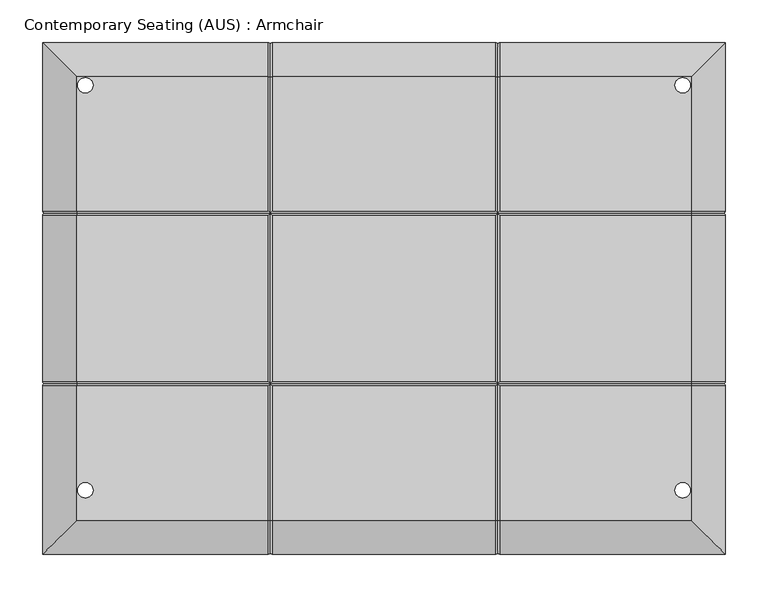
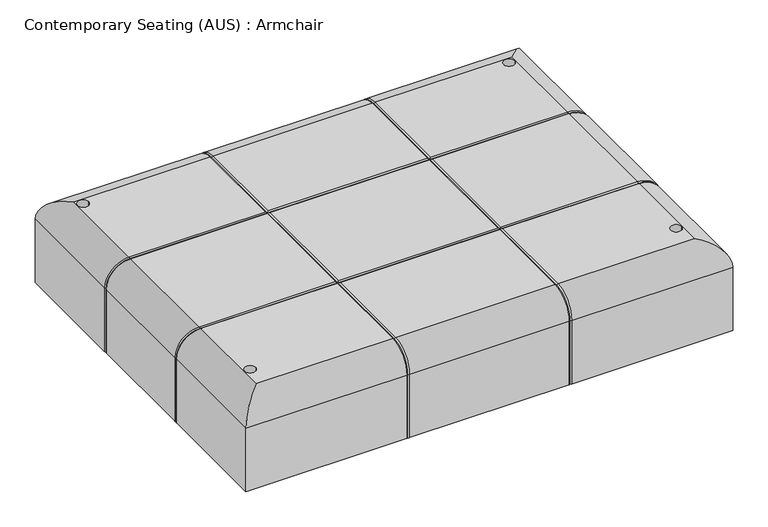
"""IFC4 building model written with IfcOpenShell, lengths in millimetres: furniture geometry, Contemporary Seating (AUS) : Armchair."""

from ifc_helpers import new_model, si_unit, point, frame, origin, place, context, project, spatial, polyline, circle_curve, ellipse_curve, trimmed, source, transform, mapped, element, save
from ifc_brep_helpers import plane_surface, cylinder_surface, revolved_surface, advanced_brep


def contemporary_seating_aus_armchair_13fb45e9(model_context):
    return source(origin(), model_context, "Body", "AdvancedBrep", [
        advanced_brep(
        [(-278.6188067, -600.0, 360.0), (-278.6188067, -600.0, 250.0), (-14.6315493, -600.0, 250.0), (-14.6315493, -600.0, 360.0), (521.3811933, -600.0, 250.0), (521.3811933, -600.0, 360.0), (257.3939359, -600.0, 360.0), (257.3939359, -600.0, 250.0), (-9.2727308, -600.0, 250.0), (252.0351174, -600.0, 250.0), (252.0351174, -600.0, 360.0), (-9.2727308, -600.0, 360.0), (521.3811933, 0.0, 360.0), (521.3811933, 0.0, 250.0), (257.3939359, 0.0, 250.0), (257.3939359, 0.0, 360.0), (-278.6188067, 0.0, 250.0), (-278.6188067, 0.0, 360.0), (-14.6315493, 0.0, 360.0), (-14.6315493, 0.0, 250.0), (252.0351174, 0.0, 250.0), (-9.2727308, 0.0, 250.0), (-9.2727308, 0.0, 360.0), (252.0351174, 0.0, 360.0), (-238.6188067, -402.679408, 400.0), (-238.6188067, -560.0, 400.0), (-14.6315493, -560.0, 400.0), (-14.6315493, -402.6794092, 400.0), (-237.6188067, -525.0, 400.0), (-219.6188067, -525.0, 400.0), (-238.6188067, -40.0, 400.0), (-238.6188067, -197.3205908, 400.0), (-14.6315493, -197.3205908, 400.0), (-14.6315493, -40.0, 400.0), (-219.6188067, -50.0, 400.0), (-237.6188067, -50.0, 400.0), (-238.6188067, -202.6794084, 400.0), (-238.6188067, -397.3205908, 400.0), (-14.6315493, -397.3205908, 400.0), (-14.6315493, -202.6794092, 400.0), (481.3811933, -560.0, 400.0), (481.3811933, -402.6794092, 400.0), (257.3939359, -402.6794092, 400.0), (257.3939359, -560.0, 400.0), (480.3811933, -525.0, 400.0), (462.3811933, -525.0, 400.0), (481.3811933, -197.3205908, 400.0), (481.3811933, -40.0, 400.0), (257.3939359, -40.0, 400.0), (257.3939359, -197.3205908, 400.0), (462.3811933, -50.0, 400.0), (480.3811933, -50.0, 400.0), (481.3811933, -397.3205908, 400.0), (481.3811933, -202.6794092, 400.0), (257.3939359, -202.6794092, 400.0), (257.3939359, -397.3205908, 400.0), (252.0351187, -40.0, 400.0), (-9.2727308, -40.0, 400.0), (-9.2727308, -197.3205908, 400.0), (252.0351174, -197.3205908, 400.0), (-9.2727308, -560.0, 400.0), (252.0351174, -560.0, 400.0), (252.0351174, -402.6794092, 400.0), (-9.2727308, -402.6794092, 400.0), (-9.2727308, -397.3205908, 400.0), (252.0351174, -397.3205908, 400.0), (252.0351174, -202.6794092, 400.0), (-9.2727308, -202.6794092, 400.0), (-278.6188067, -402.6794092, 360.0), (-278.6188067, -402.6794092, 250.0), (-278.6188067, -197.3205908, 250.0), (-278.6188067, -197.3205908, 360.0), (-278.6188067, -397.3205908, 360.0), (-278.6188067, -202.6794092, 360.0), (-278.6188067, -202.6794092, 250.0), (-278.6188067, -397.3205908, 250.0), (-275.9393975, -400.0, 250.0), (-275.9393975, -200.0, 250.0), (-11.95214, -2.6794092, 250.0), (254.7145266, -2.6794092, 250.0), (521.3811933, -197.3205908, 250.0), (518.7017841, -200.0, 250.0), (521.3811933, -202.6794092, 250.0), (521.3811933, -397.3205908, 250.0), (518.7017841, -400.0, 250.0), (521.3811933, -402.6794092, 250.0), (254.7145266, -597.3205908, 250.0), (-11.95214, -597.3205908, 250.0), (-237.6188067, -50.0, 250.0), (-219.6188067, -50.0, 250.0), (480.3811933, -50.0, 250.0), (462.3811933, -50.0, 250.0), (462.3811933, -525.0, 250.0), (480.3811933, -525.0, 250.0), (-219.6188067, -525.0, 250.0), (-237.6188067, -525.0, 250.0), (521.3811933, -402.6794092, 360.0), (521.3811933, -197.3205908, 360.0), (521.3811933, -202.6794092, 360.0), (521.3811933, -397.3205908, 360.0), (-275.9393975, -400.0, 360.0), (-275.9393975, -200.0, 360.0), (-238.6188067, -400.0, 397.3205908), (-238.6188067, -200.0, 397.3205908), (-11.95214, -400.0, 397.3205908), (254.7145266, -400.0, 397.3205908), (481.3811933, -400.0, 397.3205908), (-11.95214, -200.0, 397.3205908), (254.7145266, -200.0, 397.3205908), (481.3811933, -200.0, 397.3205908), (518.7017841, -400.0, 360.0), (518.7017841, -200.0, 360.0), (-11.95214, -2.6794092, 360.0), (254.7145266, -2.6794092, 360.0), (-11.95214, -40.0, 397.3205908), (254.7145266, -40.0, 397.3205908), (-11.95214, -560.0, 397.3205908), (254.7145266, -560.0, 397.3205908), (-11.95214, -597.3205908, 360.0), (254.7145266, -597.3205908, 360.0)],
        [
            (0, 1),
            (1, 2),
            (2, 3),
            (3, 0),
            (4, 5),
            (5, 6),
            (6, 7),
            (7, 4),
            (8, 9),
            (9, 10),
            (10, 11),
            (11, 8),
            (12, 13),
            (13, 14),
            (14, 15),
            (15, 12),
            (16, 17),
            (17, 18),
            (18, 19),
            (19, 16),
            (20, 21),
            (21, 22),
            (22, 23),
            (23, 20),
            (24, 25),
            (25, 26),
            (26, 27),
            (27, 24),
            (28, 29, circle_curve(frame((-228.6188067, -525.0, 400.0), z_axis=(0.0, 0.0, -1.0), x_axis=(1.0, 0.0, 0.0)), 9.0)),
            (29, 28, circle_curve(frame((-228.6188067, -525.0, 400.0), z_axis=(0.0, 0.0, -1.0), x_axis=(1.0, 0.0, 0.0)), 9.0)),
            (30, 31),
            (31, 32),
            (32, 33),
            (33, 30),
            (34, 35, circle_curve(frame((-228.6188067, -50.0, 400.0), z_axis=(0.0, 0.0, -1.0), x_axis=(1.0, 0.0, 0.0)), 9.0)),
            (35, 34, circle_curve(frame((-228.6188067, -50.0, 400.0), z_axis=(0.0, 0.0, -1.0), x_axis=(1.0, 0.0, 0.0)), 9.0)),
            (36, 37),
            (37, 38),
            (38, 39),
            (39, 36),
            (40, 41),
            (41, 42),
            (42, 43),
            (43, 40),
            (44, 45, circle_curve(frame((471.3811933, -525.0, 400.0), z_axis=(0.0, 0.0, -1.0), x_axis=(1.0, 0.0, 0.0)), 9.0)),
            (45, 44, circle_curve(frame((471.3811933, -525.0, 400.0), z_axis=(0.0, 0.0, -1.0), x_axis=(1.0, 0.0, 0.0)), 9.0)),
            (46, 47),
            (47, 48),
            (48, 49),
            (49, 46),
            (50, 51, circle_curve(frame((471.3811933, -50.0, 400.0), z_axis=(0.0, 0.0, -1.0), x_axis=(1.0, 0.0, 0.0)), 9.0)),
            (51, 50, circle_curve(frame((471.3811933, -50.0, 400.0), z_axis=(0.0, 0.0, -1.0), x_axis=(1.0, 0.0, 0.0)), 9.0)),
            (52, 53),
            (53, 54),
            (54, 55),
            (55, 52),
            (56, 57),
            (57, 58),
            (58, 59),
            (59, 56),
            (60, 61),
            (61, 62),
            (62, 63),
            (63, 60),
            (64, 65),
            (65, 66),
            (66, 67),
            (67, 64),
            (0, 68),
            (68, 69),
            (69, 1),
            (16, 70),
            (70, 71),
            (71, 17),
            (72, 73),
            (73, 74),
            (74, 75),
            (75, 72),
            (69, 76, circle_curve(frame((-275.9393975, -402.6794092, 250.0), z_axis=(0.0, 0.0, -1.0), x_axis=(1.0, 0.0, 0.0)), 2.6794092)),
            (76, 75, circle_curve(frame((-275.9393975, -397.3205908, 250.0), z_axis=(0.0, 0.0, -1.0), x_axis=(1.0, 0.0, 0.0)), 2.6794092)),
            (74, 77, circle_curve(frame((-275.9393975, -202.6794092, 250.0), z_axis=(0.0, 0.0, -1.0), x_axis=(1.0, 0.0, 0.0)), 2.6794092)),
            (77, 70, circle_curve(frame((-275.9393975, -197.3205908, 250.0), z_axis=(0.0, 0.0, -1.0), x_axis=(1.0, 0.0, 0.0)), 2.6794092)),
            (19, 78, circle_curve(frame((-14.6315493, -2.6794092, 250.0), z_axis=(0.0, 0.0, -1.0), x_axis=(1.0, 0.0, 0.0)), 2.6794092)),
            (78, 21, circle_curve(frame((-9.2727308, -2.6794092, 250.0), z_axis=(0.0, 0.0, -1.0), x_axis=(1.0, 0.0, 0.0)), 2.6794092)),
            (20, 79, circle_curve(frame((252.0351174, -2.6794092, 250.0), z_axis=(0.0, 0.0, -1.0), x_axis=(1.0, 0.0, 0.0)), 2.6794092)),
            (79, 14, circle_curve(frame((257.3939359, -2.6794092, 250.0), z_axis=(0.0, 0.0, -1.0), x_axis=(1.0, 0.0, 0.0)), 2.6794092)),
            (13, 80),
            (80, 81, circle_curve(frame((518.7017841, -197.3205908, 250.0), z_axis=(0.0, 0.0, -1.0), x_axis=(-1.0, 0.0, 0.0)), 2.6794092)),
            (81, 82, circle_curve(frame((518.7017841, -202.6794092, 250.0), z_axis=(0.0, 0.0, -1.0), x_axis=(-1.0, 0.0, 0.0)), 2.6794092)),
            (82, 83),
            (83, 84, circle_curve(frame((518.7017841, -397.3205908, 250.0), z_axis=(0.0, 0.0, -1.0), x_axis=(-1.0, 0.0, 0.0)), 2.6794092)),
            (84, 85, circle_curve(frame((518.7017841, -402.6794092, 250.0), z_axis=(0.0, 0.0, -1.0), x_axis=(-1.0, 0.0, 0.0)), 2.6794092)),
            (85, 4),
            (7, 86, circle_curve(frame((257.3939359, -597.3205908, 250.0), z_axis=(0.0, 0.0, -1.0), x_axis=(1.0, 0.0, 0.0)), 2.6794092)),
            (86, 9, circle_curve(frame((252.0351174, -597.3205908, 250.0), z_axis=(0.0, 0.0, -1.0), x_axis=(1.0, 0.0, 0.0)), 2.6794092)),
            (8, 87, circle_curve(frame((-9.2727308, -597.3205908, 250.0), z_axis=(0.0, 0.0, -1.0), x_axis=(1.0, 0.0, 0.0)), 2.6794092)),
            (87, 2, circle_curve(frame((-14.6315493, -597.3205908, 250.0), z_axis=(0.0, 0.0, -1.0), x_axis=(1.0, 0.0, 0.0)), 2.6794092)),
            (88, 89, circle_curve(frame((-228.6188067, -50.0, 250.0), z_axis=(0.0, 0.0, 1.0), x_axis=(1.0, 0.0, 0.0)), 9.0)),
            (89, 88, circle_curve(frame((-228.6188067, -50.0, 250.0), z_axis=(0.0, 0.0, 1.0), x_axis=(1.0, 0.0, 0.0)), 9.0)),
            (90, 91, circle_curve(frame((471.3811933, -50.0, 250.0), z_axis=(0.0, 0.0, 1.0), x_axis=(1.0, 0.0, 0.0)), 9.0)),
            (91, 90, circle_curve(frame((471.3811933, -50.0, 250.0), z_axis=(0.0, 0.0, 1.0), x_axis=(1.0, 0.0, 0.0)), 9.0)),
            (92, 93, circle_curve(frame((471.3811933, -525.0, 250.0), z_axis=(0.0, 0.0, 1.0), x_axis=(1.0, 0.0, 0.0)), 9.0)),
            (93, 92, circle_curve(frame((471.3811933, -525.0, 250.0), z_axis=(0.0, 0.0, 1.0), x_axis=(1.0, 0.0, 0.0)), 9.0)),
            (94, 95, circle_curve(frame((-228.6188067, -525.0, 250.0), z_axis=(0.0, 0.0, 1.0), x_axis=(1.0, 0.0, 0.0)), 9.0)),
            (95, 94, circle_curve(frame((-228.6188067, -525.0, 250.0), z_axis=(0.0, 0.0, 1.0), x_axis=(1.0, 0.0, 0.0)), 9.0)),
            (85, 96),
            (96, 5),
            (12, 97),
            (97, 80),
            (82, 98),
            (98, 99),
            (99, 83),
            (36, 73, circle_curve(frame((-238.6188067, -202.6794092, 360.0), z_axis=(0.0, -1.0, 0.0), x_axis=(-1.0, 0.0, 0.0)), 40.0)),
            (72, 37, circle_curve(frame((-238.6188067, -397.3205908, 360.0), z_axis=(0.0, 1.0, 0.0), x_axis=(-1.0, 0.0, 0.0)), 40.0)),
            (30, 17, ellipse_curve(frame((-238.6188067, -40.0, 360.0), z_axis=(-0.7071067811865475, -0.7071067811865475, 0.0), x_axis=(-0.7071067811865474, 0.7071067811865476, 0.0)), 56.5685425, 40.0)),
            (71, 31, circle_curve(frame((-238.6188067, -197.3205908, 360.0), z_axis=(0.0, 1.0, 0.0), x_axis=(-1.0, 0.0, 0.0)), 40.0)),
            (0, 25, ellipse_curve(frame((-238.6188067, -560.0, 360.0), z_axis=(-0.7071067811865475, 0.7071067811865475, 0.0), x_axis=(0.7071067811865474, 0.7071067811865476, 0.0)), 56.5685425, 40.0)),
            (24, 68, circle_curve(frame((-238.6188067, -402.6794092, 360.0), z_axis=(0.0, -1.0, 0.0), x_axis=(-1.0, 0.0, 0.0)), 40.0)),
            (22, 57, circle_curve(frame((-9.2727308, -40.0, 360.0), z_axis=(1.0, 0.0, 0.0), x_axis=(0.0, 1.0, 0.0)), 40.0)),
            (56, 23, circle_curve(frame((252.0351174, -40.0, 360.0), z_axis=(-1.0, 0.0, 0.0), x_axis=(0.0, 1.0, 0.0)), 40.0)),
            (33, 18, circle_curve(frame((-14.6315493, -40.0, 360.0), z_axis=(-1.0, 0.0, 0.0), x_axis=(0.0, 1.0, 0.0)), 40.0)),
            (47, 12, ellipse_curve(frame((481.3811933, -40.0, 360.0), z_axis=(-0.7071067811865475, 0.7071067811865475, 0.0), x_axis=(0.7071067811865476, 0.7071067811865474, 0.0)), 56.5685425, 40.0)),
            (15, 48, circle_curve(frame((257.3939359, -40.0, 360.0), z_axis=(1.0, 0.0, 0.0), x_axis=(0.0, 1.0, 0.0)), 40.0)),
            (52, 99, circle_curve(frame((481.3811933, -397.3205908, 360.0), z_axis=(0.0, 1.0, 0.0), x_axis=(1.0, 0.0, 0.0)), 40.0)),
            (98, 53, circle_curve(frame((481.3811933, -202.6794092, 360.0), z_axis=(0.0, -1.0, 0.0), x_axis=(1.0, 0.0, 0.0)), 40.0)),
            (46, 97, circle_curve(frame((481.3811933, -197.3205908, 360.0), z_axis=(0.0, 1.0, 0.0), x_axis=(1.0, 0.0, 0.0)), 40.0)),
            (40, 5, ellipse_curve(frame((481.3811933, -560.0, 360.0), z_axis=(0.7071067811865475, 0.7071067811865475, 0.0), x_axis=(0.7071067811865474, -0.7071067811865476, 0.0)), 56.5685425, 40.0)),
            (96, 41, circle_curve(frame((481.3811933, -402.6794092, 360.0), z_axis=(0.0, -1.0, 0.0), x_axis=(1.0, 0.0, 0.0)), 40.0)),
            (10, 61, circle_curve(frame((252.0351174, -560.0, 360.0), z_axis=(-1.0, 0.0, 0.0), x_axis=(0.0, -1.0, 0.0)), 40.0)),
            (60, 11, circle_curve(frame((-9.2727308, -560.0, 360.0), z_axis=(1.0, 0.0, 0.0), x_axis=(0.0, -1.0, 0.0)), 40.0)),
            (3, 26, circle_curve(frame((-14.6315493, -560.0, 360.0), z_axis=(-1.0, 0.0, 0.0), x_axis=(0.0, -1.0, 0.0)), 40.0)),
            (43, 6, circle_curve(frame((257.3939359, -560.0, 360.0), z_axis=(1.0, 0.0, 0.0), x_axis=(0.0, -1.0, 0.0)), 40.0)),
            (34, 89),
            (88, 35),
            (50, 91),
            (90, 51),
            (44, 93),
            (92, 45),
            (28, 95),
            (94, 29),
            (76, 100),
            (100, 72, circle_curve(frame((-275.9393975, -397.3205908, 360.0), z_axis=(0.0, 0.0, -1.0), x_axis=(1.0, 0.0, 0.0)), 2.6794092)),
            (68, 100, circle_curve(frame((-275.9393975, -402.6794092, 360.0), z_axis=(0.0, 0.0, -1.0), x_axis=(1.0, 0.0, 0.0)), 2.6794092)),
            (77, 101),
            (101, 71, circle_curve(frame((-275.9393975, -197.3205908, 360.0), z_axis=(0.0, 0.0, -1.0), x_axis=(1.0, 0.0, 0.0)), 2.6794092)),
            (73, 101, circle_curve(frame((-275.9393975, -202.6794092, 360.0), z_axis=(0.0, 0.0, -1.0), x_axis=(1.0, 0.0, 0.0)), 2.6794092)),
            (100, 102, circle_curve(frame((-238.6188067, -400.0, 360.0), z_axis=(0.0, 1.0, 0.0), x_axis=(-1.0, 0.0, 0.0)), 37.3205908)),
            (102, 37, circle_curve(frame((-238.6188067, -397.3205908, 397.3205908), z_axis=(-1.0, 0.0, 0.0), x_axis=(0.0, 0.0, -1.0)), 2.6794092)),
            (24, 102, circle_curve(frame((-238.6188067, -402.6794092, 397.3205908), z_axis=(-1.0, 0.0, 0.0), x_axis=(0.0, 0.0, -1.0)), 2.6794092)),
            (101, 103, circle_curve(frame((-238.6188067, -200.0, 360.0), z_axis=(0.0, 1.0, 0.0), x_axis=(-1.0, 0.0, 0.0)), 37.3205908)),
            (103, 31, circle_curve(frame((-238.6188067, -197.3205908, 397.3205908), z_axis=(-1.0, 0.0, 0.0), x_axis=(0.0, 0.0, -1.0)), 2.6794092)),
            (36, 103, circle_curve(frame((-238.6188067, -202.6794092, 397.3205908), z_axis=(-1.0, 0.0, 0.0), x_axis=(0.0, 0.0, -1.0)), 2.6794092)),
            (64, 104, ellipse_curve(frame((-9.2727308, -397.3205908, 397.3205908), z_axis=(0.7071067811865464, -0.7071067811865487, 0.0), x_axis=(0.7071067811865487, 0.7071067811865464, 0.0)), 3.7892569, 2.6794092)),
            (104, 105),
            (105, 65, ellipse_curve(frame((252.0351174, -397.3205908, 397.3205908), z_axis=(-0.7071067811865487, -0.7071067811865464, 0.0), x_axis=(0.7071067811865464, -0.7071067811865487, 0.0)), 3.7892569, 2.6794092)),
            (102, 104),
            (104, 38, ellipse_curve(frame((-14.6315493, -397.3205908, 397.3205908), z_axis=(-0.7071067811865487, -0.7071067811865464, 0.0), x_axis=(0.7071067811865464, -0.7071067811865487, 0.0)), 3.7892569, 2.6794092)),
            (106, 52, circle_curve(frame((481.3811933, -397.3205908, 397.3205908), z_axis=(-1.0, 0.0, 0.0), x_axis=(0.0, 0.0, -1.0)), 2.6794092)),
            (55, 105, ellipse_curve(frame((257.3939359, -397.3205908, 397.3205908), z_axis=(0.7071067811865464, -0.7071067811865487, 0.0), x_axis=(0.7071067811865487, 0.7071067811865464, 0.0)), 3.7892569, 2.6794092)),
            (105, 106),
            (62, 105, ellipse_curve(frame((252.0351174, -402.6794092, 397.3205908), z_axis=(-0.7071067811865464, 0.7071067811865487, 0.0), x_axis=(0.7071067811865487, 0.7071067811865464, 0.0)), 3.7892569, 2.6794092)),
            (104, 63, ellipse_curve(frame((-9.2727308, -402.6794092, 397.3205908), z_axis=(0.7071067811865487, 0.7071067811865464, 0.0), x_axis=(0.7071067811865464, -0.7071067811865487, 0.0)), 3.7892569, 2.6794092)),
            (27, 104, ellipse_curve(frame((-14.6315493, -402.6794092, 397.3205908), z_axis=(-0.7071067811865464, 0.7071067811865487, 0.0), x_axis=(0.7071067811865487, 0.7071067811865464, 0.0)), 3.7892569, 2.6794092)),
            (41, 106, circle_curve(frame((481.3811933, -402.6794092, 397.3205908), z_axis=(-1.0, 0.0, 0.0), x_axis=(0.0, 0.0, -1.0)), 2.6794092)),
            (105, 42, ellipse_curve(frame((257.3939359, -402.6794092, 397.3205908), z_axis=(0.7071067811865487, 0.7071067811865464, 0.0), x_axis=(0.7071067811865464, -0.7071067811865487, 0.0)), 3.7892569, 2.6794092)),
            (58, 107, ellipse_curve(frame((-9.2727308, -197.3205908, 397.3205908), z_axis=(0.7071067811865464, -0.7071067811865487, 0.0), x_axis=(0.7071067811865487, 0.7071067811865464, 0.0)), 3.7892569, 2.6794092)),
            (107, 108),
            (108, 59, ellipse_curve(frame((252.0351174, -197.3205908, 397.3205908), z_axis=(-0.7071067811865487, -0.7071067811865464, 0.0), x_axis=(0.7071067811865464, -0.7071067811865487, 0.0)), 3.7892569, 2.6794092)),
            (103, 107),
            (107, 32, ellipse_curve(frame((-14.6315493, -197.3205908, 397.3205908), z_axis=(-0.7071067811865487, -0.7071067811865464, 0.0), x_axis=(0.7071067811865464, -0.7071067811865487, 0.0)), 3.7892569, 2.6794092)),
            (109, 46, circle_curve(frame((481.3811933, -197.3205908, 397.3205908), z_axis=(-1.0, 0.0, 0.0), x_axis=(0.0, 0.0, -1.0)), 2.6794092)),
            (49, 108, ellipse_curve(frame((257.3939359, -197.3205908, 397.3205908), z_axis=(0.7071067811865464, -0.7071067811865487, 0.0), x_axis=(0.7071067811865487, 0.7071067811865464, 0.0)), 3.7892569, 2.6794092)),
            (108, 109),
            (66, 108, ellipse_curve(frame((252.0351174, -202.6794092, 397.3205908), z_axis=(-0.7071067811865464, 0.7071067811865487, 0.0), x_axis=(0.7071067811865487, 0.7071067811865464, 0.0)), 3.7892569, 2.6794092)),
            (107, 67, ellipse_curve(frame((-9.2727308, -202.6794092, 397.3205908), z_axis=(0.7071067811865487, 0.7071067811865464, 0.0), x_axis=(0.7071067811865464, -0.7071067811865487, 0.0)), 3.7892569, 2.6794092)),
            (39, 107, ellipse_curve(frame((-14.6315493, -202.6794092, 397.3205908), z_axis=(-0.7071067811865464, 0.7071067811865487, 0.0), x_axis=(0.7071067811865487, 0.7071067811865464, 0.0)), 3.7892569, 2.6794092)),
            (53, 109, circle_curve(frame((481.3811933, -202.6794092, 397.3205908), z_axis=(-1.0, 0.0, 0.0), x_axis=(0.0, 0.0, -1.0)), 2.6794092)),
            (108, 54, ellipse_curve(frame((257.3939359, -202.6794092, 397.3205908), z_axis=(0.7071067811865487, 0.7071067811865464, 0.0), x_axis=(0.7071067811865464, -0.7071067811865487, 0.0)), 3.7892569, 2.6794092)),
            (106, 110, circle_curve(frame((481.3811933, -400.0, 360.0), z_axis=(0.0, 1.0, 0.0), x_axis=(0.0, 0.0, 1.0)), 37.3205908)),
            (110, 99, circle_curve(frame((518.7017841, -397.3205908, 360.0), z_axis=(0.0, 0.0, 1.0), x_axis=(-1.0, 0.0, 0.0)), 2.6794092)),
            (96, 110, circle_curve(frame((518.7017841, -402.6794092, 360.0), z_axis=(0.0, 0.0, 1.0), x_axis=(-1.0, 0.0, 0.0)), 2.6794092)),
            (109, 111, circle_curve(frame((481.3811933, -200.0, 360.0), z_axis=(0.0, 1.0, 0.0), x_axis=(0.0, 0.0, 1.0)), 37.3205908)),
            (111, 97, circle_curve(frame((518.7017841, -197.3205908, 360.0), z_axis=(0.0, 0.0, 1.0), x_axis=(-1.0, 0.0, 0.0)), 2.6794092)),
            (98, 111, circle_curve(frame((518.7017841, -202.6794092, 360.0), z_axis=(0.0, 0.0, 1.0), x_axis=(-1.0, 0.0, 0.0)), 2.6794092)),
            (110, 84),
            (111, 81),
            (78, 112),
            (112, 22, circle_curve(frame((-9.2727308, -2.6794092, 360.0), z_axis=(0.0, 0.0, -1.0), x_axis=(1.0, 0.0, 0.0)), 2.6794092)),
            (18, 112, circle_curve(frame((-14.6315493, -2.6794092, 360.0), z_axis=(0.0, 0.0, -1.0), x_axis=(1.0, 0.0, 0.0)), 2.6794092)),
            (79, 113),
            (113, 15, circle_curve(frame((257.3939359, -2.6794092, 360.0), z_axis=(0.0, 0.0, -1.0), x_axis=(1.0, 0.0, 0.0)), 2.6794092)),
            (23, 113, circle_curve(frame((252.0351174, -2.6794092, 360.0), z_axis=(0.0, 0.0, -1.0), x_axis=(1.0, 0.0, 0.0)), 2.6794092)),
            (112, 114, circle_curve(frame((-11.95214, -40.0, 360.0), z_axis=(1.0, 0.0, 0.0), x_axis=(0.0, 1.0, 0.0)), 37.3205908)),
            (114, 57, circle_curve(frame((-9.2727308, -40.0, 397.3205908), z_axis=(0.0, 1.0, 0.0), x_axis=(1.0, 0.0, 0.0)), 2.6794092)),
            (33, 114, circle_curve(frame((-14.6315493, -40.0, 397.3205908), z_axis=(0.0, 1.0, 0.0), x_axis=(1.0, 0.0, 0.0)), 2.6794092)),
            (113, 115, circle_curve(frame((254.7145266, -40.0, 360.0), z_axis=(1.0, 0.0, 0.0), x_axis=(0.0, 1.0, 0.0)), 37.3205908)),
            (115, 48, circle_curve(frame((257.3939359, -40.0, 397.3205908), z_axis=(0.0, 1.0, 0.0), x_axis=(1.0, 0.0, 0.0)), 2.6794092)),
            (56, 115, circle_curve(frame((252.0351174, -40.0, 397.3205908), z_axis=(0.0, 1.0, 0.0), x_axis=(1.0, 0.0, 0.0)), 2.6794092)),
            (114, 107),
            (116, 60, circle_curve(frame((-9.2727308, -560.0, 397.3205908), z_axis=(0.0, 1.0, 0.0), x_axis=(1.0, 0.0, 0.0)), 2.6794092)),
            (104, 116),
            (107, 104),
            (26, 116, circle_curve(frame((-14.6315493, -560.0, 397.3205908), z_axis=(0.0, 1.0, 0.0), x_axis=(1.0, 0.0, 0.0)), 2.6794092)),
            (115, 108),
            (117, 43, circle_curve(frame((257.3939359, -560.0, 397.3205908), z_axis=(0.0, 1.0, 0.0), x_axis=(1.0, 0.0, 0.0)), 2.6794092)),
            (105, 117),
            (108, 105),
            (61, 117, circle_curve(frame((252.0351174, -560.0, 397.3205908), z_axis=(0.0, 1.0, 0.0), x_axis=(1.0, 0.0, 0.0)), 2.6794092)),
            (116, 118, circle_curve(frame((-11.95214, -560.0, 360.0), z_axis=(1.0, 0.0, 0.0), x_axis=(0.0, 0.0, 1.0)), 37.3205908)),
            (118, 11, circle_curve(frame((-9.2727308, -597.3205908, 360.0), z_axis=(0.0, 0.0, 1.0), x_axis=(1.0, 0.0, 0.0)), 2.6794092)),
            (3, 118, circle_curve(frame((-14.6315493, -597.3205908, 360.0), z_axis=(0.0, 0.0, 1.0), x_axis=(1.0, 0.0, 0.0)), 2.6794092)),
            (117, 119, circle_curve(frame((254.7145266, -560.0, 360.0), z_axis=(1.0, 0.0, 0.0), x_axis=(0.0, 0.0, 1.0)), 37.3205908)),
            (119, 6, circle_curve(frame((257.3939359, -597.3205908, 360.0), z_axis=(0.0, 0.0, 1.0), x_axis=(1.0, 0.0, 0.0)), 2.6794092)),
            (10, 119, circle_curve(frame((252.0351174, -597.3205908, 360.0), z_axis=(0.0, 0.0, 1.0), x_axis=(1.0, 0.0, 0.0)), 2.6794092)),
            (118, 87),
            (119, 86),
        ],
        [
            plane_surface(frame((-278.6188067, -600.0, 400.0), z_axis=(0.0, -1.0, 0.0), x_axis=(-1.0, 0.0, 0.0))),
            plane_surface(frame((-278.6188067, 0.0, 400.0), z_axis=(0.0, 1.0, 0.0), x_axis=(1.0, 0.0, 0.0))),
            plane_surface(frame((521.3811933, -600.0, 400.0), z_axis=(0.0, 0.0, 1.0), x_axis=(0.0, 1.0, 0.0))),
            plane_surface(frame((-278.6188067, -600.0, 400.0), z_axis=(-1.0, 0.0, 0.0), x_axis=(0.0, 1.0, 0.0))),
            plane_surface(frame((-278.6188067, -600.0, 250.0), z_axis=(0.0, 0.0, -1.0), x_axis=(0.0, 1.0, 0.0))),
            plane_surface(frame((521.3811933, -600.0, 250.0), z_axis=(1.0, 0.0, 0.0), x_axis=(0.0, 1.0, 0.0))),
            cylinder_surface(frame((-238.6188067, -600.0, 360.0), z_axis=(0.0, 1.0, 0.0), x_axis=(-1.0, 0.0, 0.0)), 40.0),
            cylinder_surface(frame((-278.6188067, -40.0, 360.0), z_axis=(1.0, 0.0, 0.0), x_axis=(0.0, 1.0, 0.0)), 40.0),
            cylinder_surface(frame((481.3811933, 0.0, 360.0), z_axis=(0.0, -1.0, 0.0), x_axis=(1.0, 0.0, 0.0)), 40.0),
            cylinder_surface(frame((521.3811933, -560.0, 360.0), z_axis=(-1.0, 0.0, 0.0), x_axis=(0.0, -1.0, 0.0)), 40.0),
            revolved_surface(polyline([(-219.6188067, -50.0, 400.0), (-219.6188067, -50.0, 250.0)]), (-228.6188067, -50.0, 250.0), (0.0, 0.0, 1.0)),
            revolved_surface(polyline([(480.3811933, -50.0, 400.0), (480.3811933, -50.0, 250.0)]), (471.3811933, -50.0, 0.0), (0.0, 0.0, 1.0)),
            revolved_surface(polyline([(480.3811933, -525.0, 400.0), (480.3811933, -525.0, 250.0)]), (471.3811933, -525.0, 0.0), (0.0, 0.0, 1.0)),
            revolved_surface(polyline([(-219.6188067, -525.0, 400.0), (-219.6188067, -525.0, 250.0)]), (-228.6188067, -525.0, 0.0), (0.0, 0.0, 1.0)),
            cylinder_surface(frame((-275.9393975, -397.3205908, 250.0), z_axis=(0.0, 0.0, 1.0), x_axis=(1.0, 0.0, 0.0)), 2.6794092),
            cylinder_surface(frame((-275.9393975, -402.6794092, 250.0), z_axis=(0.0, 0.0, 1.0), x_axis=(1.0, 0.0, 0.0)), 2.6794092),
            cylinder_surface(frame((-275.9393975, -197.3205908, 250.0), z_axis=(0.0, 0.0, 1.0), x_axis=(1.0, 0.0, 0.0)), 2.6794092),
            cylinder_surface(frame((-275.9393975, -202.6794092, 250.0), z_axis=(0.0, 0.0, 1.0), x_axis=(1.0, 0.0, 0.0)), 2.6794092),
            revolved_surface(trimmed(ellipse_curve(frame((-275.9393975, -397.3205908, 360.0), z_axis=(0.0, 0.0, -1.0), x_axis=(1.0, 0.0, 0.0)), 2.6794092, 2.6794092), [point((-275.9393975, -400.0, 360.0))], [point((-278.6188067, -397.3205908, 360.0))], True, "CARTESIAN"), (-238.6188067, -525.0, 360.0), (0.0, 1.0, 0.0)),
            revolved_surface(trimmed(ellipse_curve(frame((-275.9393975, -402.6794092, 360.0), z_axis=(0.0, 0.0, -1.0), x_axis=(1.0, 0.0, 0.0)), 2.6794092, 2.6794092), [point((-278.6188067, -402.6794092, 360.0))], [point((-275.9393975, -400.0, 360.0))], True, "CARTESIAN"), (-238.6188067, -525.0, 360.0), (0.0, 1.0, 0.0)),
            revolved_surface(trimmed(ellipse_curve(frame((-275.9393975, -197.3205908, 360.0), z_axis=(0.0, 0.0, -1.0), x_axis=(1.0, 0.0, 0.0)), 2.6794092, 2.6794092), [point((-275.9393975, -200.0, 360.0))], [point((-278.6188067, -197.3205908, 360.0))], True, "CARTESIAN"), (-238.6188067, -525.0, 360.0), (0.0, 1.0, 0.0)),
            revolved_surface(trimmed(ellipse_curve(frame((-275.9393975, -202.6794092, 360.0), z_axis=(0.0, 0.0, -1.0), x_axis=(1.0, 0.0, 0.0)), 2.6794092, 2.6794092), [point((-278.6188067, -202.6794092, 360.0))], [point((-275.9393975, -200.0, 360.0))], True, "CARTESIAN"), (-238.6188067, -525.0, 360.0), (0.0, 1.0, 0.0)),
            cylinder_surface(frame((-238.6188067, -397.3205908, 397.3205908), z_axis=(1.0, 0.0, 0.0), x_axis=(0.0, 0.0, -1.0)), 2.6794092),
            cylinder_surface(frame((-238.6188067, -402.6794092, 397.3205908), z_axis=(1.0, 0.0, 0.0), x_axis=(0.0, 0.0, -1.0)), 2.6794092),
            cylinder_surface(frame((-238.6188067, -197.3205908, 397.3205908), z_axis=(1.0, 0.0, 0.0), x_axis=(0.0, 0.0, -1.0)), 2.6794092),
            cylinder_surface(frame((-238.6188067, -202.6794092, 397.3205908), z_axis=(1.0, 0.0, 0.0), x_axis=(0.0, 0.0, -1.0)), 2.6794092),
            revolved_surface(trimmed(ellipse_curve(frame((481.3811933, -397.3205908, 397.3205908), z_axis=(-1.0, 0.0, 0.0), x_axis=(0.0, 0.0, -1.0)), 2.6794092, 2.6794092), [point((481.3811933, -400.0, 397.3205908))], [point((481.3811933, -397.3205908, 400.0))], True, "CARTESIAN"), (481.3811933, -525.0, 360.0), (0.0, 1.0, 0.0)),
            revolved_surface(trimmed(ellipse_curve(frame((481.3811933, -402.6794092, 397.3205908), z_axis=(-1.0, 0.0, 0.0), x_axis=(0.0, 0.0, -1.0)), 2.6794092, 2.6794092), [point((481.3811933, -402.6794092, 400.0))], [point((481.3811933, -400.0, 397.3205908))], True, "CARTESIAN"), (481.3811933, -525.0, 360.0), (0.0, 1.0, 0.0)),
            revolved_surface(trimmed(ellipse_curve(frame((481.3811933, -197.3205908, 397.3205908), z_axis=(-1.0, 0.0, 0.0), x_axis=(0.0, 0.0, -1.0)), 2.6794092, 2.6794092), [point((481.3811933, -200.0, 397.3205908))], [point((481.3811933, -197.3205908, 400.0))], True, "CARTESIAN"), (481.3811933, -525.0, 360.0), (0.0, 1.0, 0.0)),
            revolved_surface(trimmed(ellipse_curve(frame((481.3811933, -202.6794092, 397.3205908), z_axis=(-1.0, 0.0, 0.0), x_axis=(0.0, 0.0, -1.0)), 2.6794092, 2.6794092), [point((481.3811933, -202.6794092, 400.0))], [point((481.3811933, -200.0, 397.3205908))], True, "CARTESIAN"), (481.3811933, -525.0, 360.0), (0.0, 1.0, 0.0)),
            cylinder_surface(frame((518.7017841, -397.3205908, 360.0), z_axis=(0.0, 0.0, -1.0), x_axis=(-1.0, 0.0, 0.0)), 2.6794092),
            cylinder_surface(frame((518.7017841, -402.6794092, 360.0), z_axis=(0.0, 0.0, -1.0), x_axis=(-1.0, 0.0, 0.0)), 2.6794092),
            cylinder_surface(frame((518.7017841, -197.3205908, 360.0), z_axis=(0.0, 0.0, -1.0), x_axis=(-1.0, 0.0, 0.0)), 2.6794092),
            cylinder_surface(frame((518.7017841, -202.6794092, 360.0), z_axis=(0.0, 0.0, -1.0), x_axis=(-1.0, 0.0, 0.0)), 2.6794092),
            cylinder_surface(frame((-9.2727308, -2.6794092, 250.0), z_axis=(0.0, 0.0, 1.0), x_axis=(1.0, 0.0, 0.0)), 2.6794092),
            cylinder_surface(frame((-14.6315493, -2.6794092, 250.0), z_axis=(0.0, 0.0, 1.0), x_axis=(1.0, 0.0, 0.0)), 2.6794092),
            cylinder_surface(frame((257.3939359, -2.6794092, 250.0), z_axis=(0.0, 0.0, 1.0), x_axis=(1.0, 0.0, 0.0)), 2.6794092),
            cylinder_surface(frame((252.0351174, -2.6794092, 250.0), z_axis=(0.0, 0.0, 1.0), x_axis=(1.0, 0.0, 0.0)), 2.6794092),
            revolved_surface(trimmed(ellipse_curve(frame((-9.2727308, -2.6794092, 360.0), z_axis=(0.0, 0.0, -1.0), x_axis=(1.0, 0.0, 0.0)), 2.6794092, 2.6794092), [point((-11.95214, -2.6794092, 360.0))], [point((-9.2727308, 0.0, 360.0))], True, "CARTESIAN"), (121.3811933, -40.0, 360.0), (1.0, 0.0, 0.0)),
            revolved_surface(trimmed(ellipse_curve(frame((-14.6315493, -2.6794092, 360.0), z_axis=(0.0, 0.0, -1.0), x_axis=(1.0, 0.0, 0.0)), 2.6794092, 2.6794092), [point((-14.6315493, 0.0, 360.0))], [point((-11.95214, -2.6794092, 360.0))], True, "CARTESIAN"), (121.3811933, -40.0, 360.0), (1.0, 0.0, 0.0)),
            revolved_surface(trimmed(ellipse_curve(frame((257.3939359, -2.6794092, 360.0), z_axis=(0.0, 0.0, -1.0), x_axis=(1.0, 0.0, 0.0)), 2.6794092, 2.6794092), [point((254.7145266, -2.6794092, 360.0))], [point((257.3939359, 0.0, 360.0))], True, "CARTESIAN"), (121.3811933, -40.0, 360.0), (1.0, 0.0, 0.0)),
            revolved_surface(trimmed(ellipse_curve(frame((252.0351174, -2.6794092, 360.0), z_axis=(0.0, 0.0, -1.0), x_axis=(1.0, 0.0, 0.0)), 2.6794092, 2.6794092), [point((252.0351174, 0.0, 360.0))], [point((254.7145266, -2.6794092, 360.0))], True, "CARTESIAN"), (121.3811933, -40.0, 360.0), (1.0, 0.0, 0.0)),
            cylinder_surface(frame((-9.2727308, -40.0, 397.3205908), z_axis=(0.0, -1.0, 0.0), x_axis=(1.0, 0.0, 0.0)), 2.6794092),
            cylinder_surface(frame((-14.6315493, -40.0, 397.3205908), z_axis=(0.0, -1.0, 0.0), x_axis=(1.0, 0.0, 0.0)), 2.6794092),
            cylinder_surface(frame((257.3939359, -40.0, 397.3205908), z_axis=(0.0, -1.0, 0.0), x_axis=(1.0, 0.0, 0.0)), 2.6794092),
            cylinder_surface(frame((252.0351174, -40.0, 397.3205908), z_axis=(0.0, -1.0, 0.0), x_axis=(1.0, 0.0, 0.0)), 2.6794092),
            revolved_surface(trimmed(ellipse_curve(frame((-9.2727308, -560.0, 397.3205908), z_axis=(0.0, 1.0, 0.0), x_axis=(1.0, 0.0, 0.0)), 2.6794092, 2.6794092), [point((-11.95214, -560.0, 397.3205908))], [point((-9.2727308, -560.0, 400.0))], True, "CARTESIAN"), (121.3811933, -560.0, 360.0), (1.0, 0.0, 0.0)),
            revolved_surface(trimmed(ellipse_curve(frame((-14.6315493, -560.0, 397.3205908), z_axis=(0.0, 1.0, 0.0), x_axis=(1.0, 0.0, 0.0)), 2.6794092, 2.6794092), [point((-14.6315493, -560.0, 400.0))], [point((-11.95214, -560.0, 397.3205908))], True, "CARTESIAN"), (121.3811933, -560.0, 360.0), (1.0, 0.0, 0.0)),
            revolved_surface(trimmed(ellipse_curve(frame((257.3939359, -560.0, 397.3205908), z_axis=(0.0, 1.0, 0.0), x_axis=(1.0, 0.0, 0.0)), 2.6794092, 2.6794092), [point((254.7145266, -560.0, 397.3205908))], [point((257.3939359, -560.0, 400.0))], True, "CARTESIAN"), (121.3811933, -560.0, 360.0), (1.0, 0.0, 0.0)),
            revolved_surface(trimmed(ellipse_curve(frame((252.0351174, -560.0, 397.3205908), z_axis=(0.0, 1.0, 0.0), x_axis=(1.0, 0.0, 0.0)), 2.6794092, 2.6794092), [point((252.0351174, -560.0, 400.0))], [point((254.7145266, -560.0, 397.3205908))], True, "CARTESIAN"), (121.3811933, -560.0, 360.0), (1.0, 0.0, 0.0)),
            cylinder_surface(frame((-9.2727308, -597.3205908, 360.0), z_axis=(0.0, 0.0, -1.0), x_axis=(1.0, 0.0, 0.0)), 2.6794092),
            cylinder_surface(frame((-14.6315493, -597.3205908, 360.0), z_axis=(0.0, 0.0, -1.0), x_axis=(1.0, 0.0, 0.0)), 2.6794092),
            cylinder_surface(frame((257.3939359, -597.3205908, 360.0), z_axis=(0.0, 0.0, -1.0), x_axis=(1.0, 0.0, 0.0)), 2.6794092),
            cylinder_surface(frame((252.0351174, -597.3205908, 360.0), z_axis=(0.0, 0.0, -1.0), x_axis=(1.0, 0.0, 0.0)), 2.6794092),
        ],
        [
            (0, [[1, 2, 3, 4]]),
            (0, [[5, 6, 7, 8]]),
            (0, [[9, 10, 11, 12]]),
            (1, [[13, 14, 15, 16]]),
            (1, [[17, 18, 19, 20]]),
            (1, [[21, 22, 23, 24]]),
            (2, [[25, 26, 27, 28], [29, 30]]),
            (2, [[31, 32, 33, 34], [35, 36]]),
            (2, [[37, 38, 39, 40]]),
            (2, [[41, 42, 43, 44], [45, 46]]),
            (2, [[47, 48, 49, 50], [51, 52]]),
            (2, [[53, 54, 55, 56]]),
            (2, [[57, 58, 59, 60]]),
            (2, [[61, 62, 63, 64]]),
            (2, [[65, 66, 67, 68]]),
            (3, [[-1, 69, 70, 71]]),
            (3, [[-17, 72, 73, 74]]),
            (3, [[75, 76, 77, 78]]),
            (4, [[-71, 79, 80, -77, 81, 82, -72, -20, 83, 84, -21, 85, 86, -14, 87, 88, 89, 90, 91, 92, 93, -8, 94, 95, -9, 96, 97, -2], [98, 99], [100, 101], [102, 103], [104, 105]]),
            (5, [[-5, -93, 106, 107]]),
            (5, [[-13, 108, 109, -87]]),
            (5, [[-90, 110, 111, 112]]),
            (6, [[-37, 113, -75, 114]]),
            (6, [[115, -74, 116, -31]]),
            (6, [[117, -25, 118, -69]]),
            (7, [[-23, 119, -57, 120]]),
            (7, [[-115, -34, 121, -18]]),
            (7, [[122, -16, 123, -48]]),
            (8, [[-53, 124, -111, 125]]),
            (8, [[-122, -47, 126, -108]]),
            (8, [[127, -107, 128, -41]]),
            (9, [[-11, 129, -61, 130]]),
            (9, [[-117, -4, 131, -26]]),
            (9, [[-127, -44, 132, -6]]),
            (10, [[133, -98, 134, -35]]),
            (10, [[-133, -36, -134, -99]]),
            (11, [[135, -100, 136, -51]]),
            (11, [[-135, -52, -136, -101]]),
            (12, [[137, -102, 138, -45]]),
            (12, [[-137, -46, -138, -103]]),
            (13, [[139, -104, 140, -29]]),
            (13, [[-139, -30, -140, -105]]),
            (14, [[141, 142, -78, -80]]),
            (15, [[-141, -79, -70, 143]]),
            (16, [[144, 145, -73, -82]]),
            (17, [[-144, -81, -76, 146]]),
            (18, [[-142, 147, 148, -114]]),
            (19, [[-143, -118, 149, -147]]),
            (20, [[-145, 150, 151, -116]]),
            (21, [[-146, -113, 152, -150]]),
            (22, [[-65, 153, 154, 155]]),
            (22, [[-148, 156, 157, -38]]),
            (22, [[158, -56, 159, 160]]),
            (23, [[-63, 161, -154, 162]]),
            (23, [[-149, -28, 163, -156]]),
            (23, [[164, -160, 165, -42]]),
            (24, [[-59, 166, 167, 168]]),
            (24, [[-151, 169, 170, -32]]),
            (24, [[171, -50, 172, 173]]),
            (25, [[-67, 174, -167, 175]]),
            (25, [[-152, -40, 176, -169]]),
            (25, [[177, -173, 178, -54]]),
            (26, [[-158, 179, 180, -124]]),
            (27, [[-164, -128, 181, -179]]),
            (28, [[-171, 182, 183, -126]]),
            (29, [[-177, -125, 184, -182]]),
            (30, [[-180, 185, -91, -112]]),
            (31, [[-181, -106, -92, -185]]),
            (32, [[-183, 186, -88, -109]]),
            (33, [[-184, -110, -89, -186]]),
            (34, [[187, 188, -22, -84]]),
            (35, [[-187, -83, -19, 189]]),
            (36, [[190, 191, -15, -86]]),
            (37, [[-190, -85, -24, 192]]),
            (38, [[-188, 193, 194, -119]]),
            (39, [[-189, -121, 195, -193]]),
            (40, [[-191, 196, 197, -123]]),
            (41, [[-192, -120, 198, -196]]),
            (42, [[-194, 199, -166, -58]]),
            (42, [[200, -64, -162, 201]]),
            (42, [[202, -153, -68, -175]]),
            (43, [[-195, -33, -170, -199]]),
            (43, [[-202, -176, -39, -157]]),
            (43, [[203, -201, -163, -27]]),
            (44, [[-197, 204, -172, -49]]),
            (44, [[205, -43, -165, 206]]),
            (44, [[207, -159, -55, -178]]),
            (45, [[-198, -60, -168, -204]]),
            (45, [[-207, -174, -66, -155]]),
            (45, [[208, -206, -161, -62]]),
            (46, [[-200, 209, 210, -130]]),
            (47, [[-203, -131, 211, -209]]),
            (48, [[-205, 212, 213, -132]]),
            (49, [[-208, -129, 214, -212]]),
            (50, [[-210, 215, -96, -12]]),
            (51, [[-211, -3, -97, -215]]),
            (52, [[-213, 216, -94, -7]]),
            (53, [[-214, -10, -95, -216]]),
        ],
    ),
    ])


if __name__ == "__main__":
    model = new_model("IFC4")
    model_context = context("Model", 3, world=origin())
    ifc_project = project(units=[si_unit("LENGTHUNIT", "METRE", prefix="MILLI")], contexts=[model_context])
    site = spatial("IfcSite", under=ifc_project)
    building = spatial("IfcBuilding", under=site)
    placement = place(None, origin())
    contemporary_seating_aus_armchair_shape = contemporary_seating_aus_armchair_13fb45e9(model_context)
    element("IfcFurniture", 1, ObjectType="Contemporary Seating (AUS) : Armchair", at=placement, inside=building, context=model_context, shape_type="MappedRepresentation", body=[
        mapped(contemporary_seating_aus_armchair_shape, transform((0.0, 0.0, 0.0), x_axis=(1.0, 0.0, 0.0), y_axis=(0.0, 1.0, 0.0), z_axis=(0.0, 0.0, 1.0))),
    ])
    save(model, "model.ifc")
